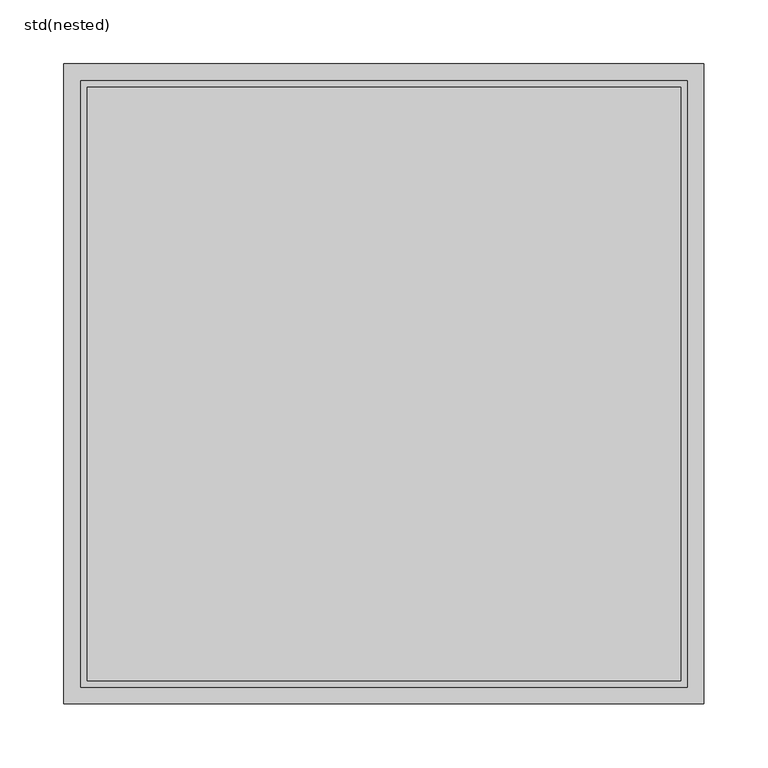
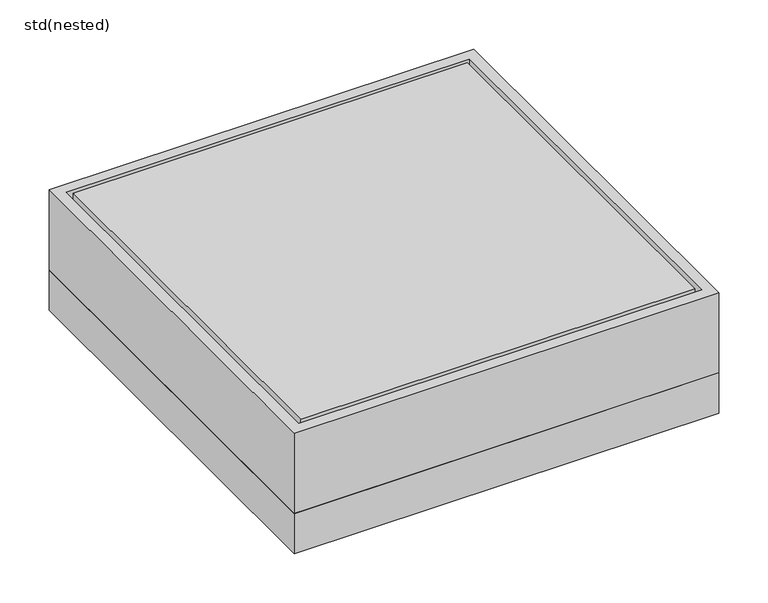
"""IFC4 building model written with IfcOpenShell, lengths in millimetres: sanitary terminal geometry, std(nested)."""

from ifc_helpers import new_model, si_unit, point, frame, origin, origin_2d, place, context, project, spatial, polyline, circle_curve, trimmed, segment, composite_curve, outline, extrude, source, transform, mapped, element, save


def std_nested_92b479a2(model_context):
    return source(origin(), model_context, "Body", "SweptSolid", [
        extrude(outline(polyline([(250.0, 250.0), (250.0, -250.0), (-250.0, -250.0), (-250.0, 250.0), (250.0, 250.0)]), holes=[composite_curve([segment(trimmed(circle_curve(origin_2d(), 195.0), [point((195.0, 0.0))], [point((-195.0, 0.0))], True, "CARTESIAN"), True, "CONTINUOUS"), segment(trimmed(circle_curve(origin_2d(), 195.0), [point((-195.0, 0.0))], [point((195.0, 0.0))], True, "CARTESIAN"), True, "CONTINUOUS")], self_intersect=False)]), frame((0.0, 0.0, -150.0), z_axis=(0.0, 0.0, 1.0), x_axis=(1.0, 0.0, 0.0)), (0.0, 0.0, 1.0), 50.0),
        extrude(outline(composite_curve([segment(trimmed(circle_curve(origin_2d(), 195.0), [point((195.0, 0.0))], [point((-195.0, 0.0))], False, "CARTESIAN"), True, "CONTINUOUS"), segment(trimmed(circle_curve(origin_2d(), 195.0), [point((-195.0, 0.0))], [point((195.0, 0.0))], False, "CARTESIAN"), True, "CONTINUOUS")], self_intersect=False), holes=[composite_curve([segment(trimmed(circle_curve(origin_2d(), 175.5), [point((175.5, 0.0))], [point((-175.5, 0.0))], True, "CARTESIAN"), True, "CONTINUOUS"), segment(trimmed(circle_curve(origin_2d(), 175.5), [point((-175.5, 0.0))], [point((175.5, 0.0))], True, "CARTESIAN"), True, "CONTINUOUS")], self_intersect=False)]), frame((0.0, 0.0, -150.0), z_axis=(0.0, 0.0, 1.0), x_axis=(1.0, 0.0, 0.0)), (0.0, 0.0, 1.0), 50.0),
        extrude(outline(polyline([(250.0, 250.0), (250.0, -250.0), (-250.0, -250.0), (-250.0, 250.0), (250.0, 250.0)]), holes=[polyline([(237.0, 237.0), (-237.0, 237.0), (-237.0, -237.0), (237.0, -237.0), (237.0, 237.0)])]), frame((0.0, 0.0, -100.0), z_axis=(0.0, 0.0, 1.0), x_axis=(1.0, 0.0, 0.0)), (0.0, 0.0, 1.0), 100.0),
        extrude(outline(polyline([(232.0, 232.0), (232.0, -232.0), (-232.0, -232.0), (-232.0, 232.0), (232.0, 232.0)])), frame((0.0, 0.0, -100.0), z_axis=(0.0, 0.0, 1.0), x_axis=(1.0, 0.0, 0.0)), (0.0, 0.0, 1.0), 100.0),
    ])


if __name__ == "__main__":
    model = new_model("IFC4")
    model_context = context("Model", 3, world=origin())
    ifc_project = project(units=[si_unit("LENGTHUNIT", "METRE", prefix="MILLI")], contexts=[model_context])
    site = spatial("IfcSite", under=ifc_project)
    building = spatial("IfcBuilding", under=site)
    placement = place(None, origin())
    std_nested_shape = std_nested_92b479a2(model_context)
    element("IfcSanitaryTerminal", 1, ObjectType="std(nested)", at=placement, inside=building, context=model_context, shape_type="MappedRepresentation", body=[
        mapped(std_nested_shape, transform((0.0, 0.0, 0.0), x_axis=(1.0, 0.0, 0.0), y_axis=(0.0, 1.0, 0.0), z_axis=(0.0, 0.0, 1.0))),
    ])
    save(model, "model.ifc")
